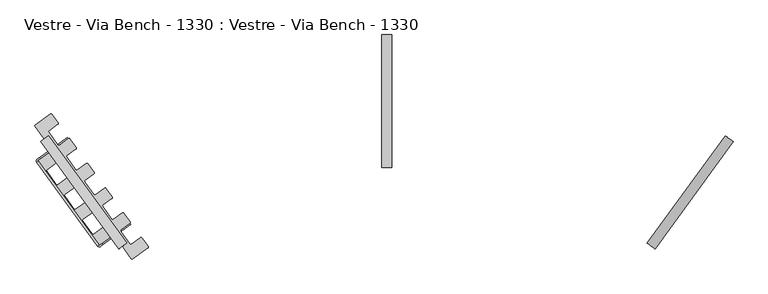
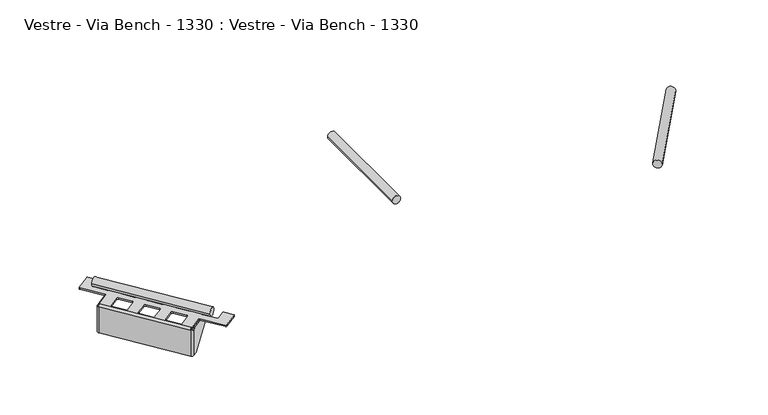
"""IFC4 building model written with IfcOpenShell, lengths in millimetres: furniture geometry, Vestre - Via Bench - 1330 : Vestre - Via Bench - 1330."""

from ifc_helpers import new_model, si_unit, point, frame, frame_2d, origin, place, context, project, spatial, polyline, circle_curve, trimmed, segment, composite_curve, outline, extrude, source, transform, mapped, element, save
from ifc_brep_helpers import plane_surface, cylinder_surface, revolved_surface, advanced_brep


def vestre_via_bench_1330_vestre_via_bench_1330_a7699da7(model_context):
    return source(origin(), model_context, "Body", "SolidModel", [
        advanced_brep(
        [(-938.9547303, -107.3037198, 370.1409501), (-1009.988975, -158.9131195, 276.7949141), (-1011.7568444, -160.1975517, 275.8503634), (-1026.8880969, -171.1910502, 275.8503634), (-1026.8880969, -171.1910502, 371.0003634), (-1019.2024354, -165.6070903, 371.0003634), (-1019.2024354, -165.6070903, 372.0003634), (-938.300736, -106.8285651, 372.0003634), (-936.0158041, -111.3488047, 370.1409501), (-935.3618097, -110.87365, 372.0003634), (-1016.2635092, -169.6521753, 372.0003634), (-1016.2635092, -169.6521753, 371.0003634), (-1023.9491706, -175.2361352, 371.0003634), (-1023.9491706, -175.2361352, 275.8503634), (-1008.8179181, -164.2426367, 275.8503634), (-1007.0500488, -162.9582045, 276.7949141), (-1028.4367191, -180.9686659, 371.0003634), (-1024.3916341, -178.0297397, 371.0003634), (-1024.3916341, -178.0297397, 275.8503634), (-846.1751456, -423.3236924, 275.8503634), (-843.3815411, -423.7661558, 275.8503634), (-828.2502886, -412.7726574, 275.8503634), (-825.3113624, -416.8177424, 275.8503634), (-840.4426149, -427.8112408, 275.8503634), (-850.2202306, -426.2626186, 275.8503634), (-1028.4367191, -180.9686659, 275.8503634), (-825.4288361, -257.0795026, 378.0003634), (-829.6192429, -256.4158073, 378.0003634), (-856.3168037, -275.8127207, 378.0003634), (-860.5072104, -275.1490254, 378.0003634), (-887.8980032, -237.4488335, 378.0003634), (-887.2343079, -233.2584268, 378.0003634), (-860.5367471, -213.8615134, 378.0003634), (-859.8730519, -209.6711067, 378.0003634), (-878.3295088, -184.2679731, 378.0003634), (-882.5199156, -183.6042778, 378.0003634), (-909.2174764, -203.0011912, 378.0003634), (-913.4078831, -202.3374959, 378.0003634), (-940.7986759, -164.637304, 378.0003634), (-940.1349806, -160.4468973, 378.0003634), (-913.4374198, -141.0499839, 378.0003634), (-912.7737246, -136.8595772, 378.0003634), (-931.2301815, -111.4564436, 378.0003634), (-935.4205883, -110.7927483, 378.0003634), (-962.1181491, -130.1896617, 378.0003634), (-966.3085558, -129.5259664, 378.0003634), (-993.6993486, -91.8257745, 378.0003634), (-993.0356534, -87.6353678, 378.0003634), (-966.3380925, -68.2384544, 378.0003634), (-965.6743973, -64.0480477, 378.0003634), (-984.0132972, -38.8067175, 378.0003634), (-988.2037039, -38.1430222, 378.0003634), (-1032.6996386, -70.4712111, 378.0003634), (-1033.3633338, -74.6616179, 378.0003634), (-984.0481512, -142.5381437, 378.0003634), (-984.7118464, -146.7285504, 378.0003634), (-1023.9491706, -175.2361352, 378.0003634), (-1022.7736001, -176.8541692, 378.0003634), (-844.5571116, -422.1481219, 378.0003634), (-843.3815411, -423.7661558, 378.0003634), (-804.1442169, -395.2585711, 378.0003634), (-799.9538102, -395.9222663, 378.0003634), (-750.6386275, -463.7987922, 378.0003634), (-746.4482207, -464.4624874, 378.0003634), (-701.9522861, -432.1342985, 378.0003634), (-701.2885908, -427.9438918, 378.0003634), (-719.6274907, -402.7025615, 378.0003634), (-723.8178974, -402.0388663, 378.0003634), (-750.5154583, -421.4357796, 378.0003634), (-754.705865, -420.7720844, 378.0003634), (-782.0966578, -383.0718925, 378.0003634), (-781.4329625, -378.8814857, 378.0003634), (-754.7354017, -359.4845724, 378.0003634), (-754.0717065, -355.2941657, 378.0003634), (-772.5281634, -329.891032, 378.0003634), (-776.7185701, -329.2273368, 378.0003634), (-803.416131, -348.6242501, 378.0003634), (-807.6065377, -347.9605549, 378.0003634), (-834.9973305, -310.260363, 378.0003634), (-834.3336352, -306.0699562, 378.0003634), (-807.6360744, -286.6730429, 378.0003634), (-806.9723792, -282.4826362, 378.0003634), (-856.9861111, -322.5279433, 378.0003634), (-852.7957043, -323.1916385, 378.0003634), (-825.4049116, -360.8918305, 378.0003634), (-826.0686068, -365.0822372, 378.0003634), (-860.8563376, -390.3570031, 378.0003634), (-865.0467443, -389.6933078, 378.0003634), (-892.4375371, -351.9931159, 378.0003634), (-891.7738418, -347.8027092, 378.0003634), (-909.8867838, -249.7164138, 378.0003634), (-905.696377, -250.380109, 378.0003634), (-878.3055843, -288.080301, 378.0003634), (-878.9692795, -292.2707077, 378.0003634), (-916.1840613, -319.3088293, 378.0003634), (-945.3382098, -279.1815864, 378.0003634), (-944.6745145, -274.9911797, 378.0003634), (-962.7874565, -176.9048843, 378.0003634), (-958.5970497, -177.5685795, 378.0003634), (-931.206257, -215.2687715, 378.0003634), (-931.8699522, -219.4591782, 378.0003634), (-966.657683, -244.7339441, 378.0003634), (-970.8480897, -244.0702488, 378.0003634), (-998.2388825, -206.3700569, 378.0003634), (-997.5751872, -202.1796502, 378.0003634), (-825.4288361, -257.0795026, 373.0003634), (-806.9723792, -282.4826362, 373.0003634), (-807.6360744, -286.6730429, 373.0003634), (-834.3336352, -306.0699562, 373.0003634), (-834.9973305, -310.260363, 373.0003634), (-807.6065377, -347.9605549, 373.0003634), (-803.416131, -348.6242501, 373.0003634), (-776.7185701, -329.2273368, 373.0003634), (-772.5281634, -329.891032, 373.0003634), (-754.0717065, -355.2941657, 373.0003634), (-754.7354017, -359.4845724, 373.0003634), (-781.4329625, -378.8814857, 373.0003634), (-782.0966578, -383.0718925, 373.0003634), (-754.705865, -420.7720844, 373.0003634), (-750.5154583, -421.4357796, 373.0003634), (-723.8178974, -402.0388663, 373.0003634), (-719.6274907, -402.7025615, 373.0003634), (-701.2885908, -427.9438918, 373.0003634), (-701.9522861, -432.1342985, 373.0003634), (-746.4482207, -464.4624874, 373.0003634), (-750.6386275, -463.7987922, 373.0003634), (-799.9538102, -395.9222663, 373.0003634), (-804.1442169, -395.2585711, 373.0003634), (-843.3815411, -423.7661558, 373.0003634), (-844.5571116, -422.1481219, 373.0003634), (-1022.7736001, -176.8541692, 373.0003634), (-1023.9491706, -175.2361352, 373.0003634), (-984.7118464, -146.7285504, 373.0003634), (-984.0481512, -142.5381437, 373.0003634), (-1033.3633338, -74.6616179, 373.0003634), (-1032.6996386, -70.4712111, 373.0003634), (-988.2037039, -38.1430222, 373.0003634), (-984.0132972, -38.8067175, 373.0003634), (-965.6743973, -64.0480477, 373.0003634), (-966.3380925, -68.2384544, 373.0003634), (-993.0356534, -87.6353678, 373.0003634), (-993.6993486, -91.8257745, 373.0003634), (-966.3085558, -129.5259664, 373.0003634), (-962.1181491, -130.1896617, 373.0003634), (-935.4205883, -110.7927483, 373.0003634), (-931.2301815, -111.4564436, 373.0003634), (-912.7737246, -136.8595772, 373.0003634), (-913.4374198, -141.0499839, 373.0003634), (-940.1349806, -160.4468973, 373.0003634), (-940.7986759, -164.637304, 373.0003634), (-913.4078831, -202.3374959, 373.0003634), (-909.2174764, -203.0011912, 373.0003634), (-882.5199156, -183.6042778, 373.0003634), (-878.3295088, -184.2679731, 373.0003634), (-859.8730519, -209.6711067, 373.0003634), (-860.5367471, -213.8615134, 373.0003634), (-887.2343079, -233.2584268, 373.0003634), (-887.8980032, -237.4488335, 373.0003634), (-860.5072104, -275.1490254, 373.0003634), (-856.3168037, -275.8127207, 373.0003634), (-829.6192429, -256.4158073, 373.0003634), (-856.9861111, -322.5279433, 373.0003634), (-891.7738418, -347.8027092, 373.0003634), (-892.4375371, -351.9931159, 373.0003634), (-865.0467443, -389.6933078, 373.0003634), (-860.8563376, -390.3570031, 373.0003634), (-826.0686068, -365.0822372, 373.0003634), (-825.4049116, -360.8918305, 373.0003634), (-852.7957043, -323.1916385, 373.0003634), (-909.8867838, -249.7164138, 373.0003634), (-944.6745145, -274.9911797, 373.0003634), (-945.3382098, -279.1815864, 373.0003634), (-916.1840613, -319.3088293, 373.0003634), (-878.9692795, -292.2707077, 373.0003634), (-878.3055843, -288.080301, 373.0003634), (-905.696377, -250.380109, 373.0003634), (-962.7874565, -176.9048843, 373.0003634), (-997.5751872, -202.1796502, 373.0003634), (-998.2388825, -206.3700569, 373.0003634), (-970.8480897, -244.0702488, 373.0003634), (-966.657683, -244.7339441, 373.0003634), (-931.8699522, -219.4591782, 373.0003634), (-931.206257, -215.2687715, 373.0003634), (-958.5970497, -177.5685795, 373.0003634), (-850.2202306, -426.2626186, 371.0003634), (-846.1751456, -423.3236924, 371.0003634), (-835.6958797, -418.1821959, 371.0003634), (-843.3815411, -423.7661558, 371.0003634), (-840.4426149, -427.8112408, 371.0003634), (-832.7569534, -422.2272809, 371.0003634), (-835.6958797, -418.1821959, 372.0003634), (-754.7941802, -359.4036707, 372.0003634), (-755.4481746, -359.8788254, 370.1409501), (-826.4824193, -411.4882251, 276.7949141), (-823.543493, -415.5333101, 276.7949141), (-752.5092483, -363.9239104, 370.1409501), (-751.855254, -363.4487557, 372.0003634), (-832.7569534, -422.2272809, 372.0003634)],
        [
            (0, 1),
            (1, 2, circle_curve(frame((-1011.7568444, -160.1975517, 278.8503634), z_axis=(-0.5877852522921923, 0.8090169943751515, 0.0), x_axis=(0.0, 0.0, -1.0)), 3.0)),
            (2, 3),
            (3, 4),
            (4, 5),
            (5, 6),
            (6, 7),
            (7, 0, circle_curve(frame((-940.7225997, -108.588152, 372.1963993), z_axis=(-0.587785252292824, 0.8090169943746925, 0.0), x_axis=(0.8072878914352271, 0.5865289854720144, -0.06534531003243231)), 3.0)),
            (8, 9, circle_curve(frame((-937.7836734, -112.633237, 372.1963993), z_axis=(0.587785252292824, -0.8090169943746925, 0.0), x_axis=(0.8072878914352271, 0.5865289854720144, -0.06534531003243231)), 3.0)),
            (9, 10),
            (10, 11),
            (11, 12),
            (12, 13),
            (13, 14),
            (14, 15, circle_curve(frame((-1008.8179181, -164.2426367, 278.8503634), z_axis=(0.5877852522921923, -0.8090169943751515, 0.0), x_axis=(0.0, 0.0, -1.0)), 3.0)),
            (15, 8),
            (7, 9),
            (8, 0),
            (6, 10),
            (5, 11),
            (4, 16, circle_curve(frame((-1022.7736001, -176.8541692, 371.0003634), z_axis=(0.0, 0.0, 1.0), x_axis=(0.8090169943748994, 0.5877852522925394, 0.0)), 7.0)),
            (16, 17),
            (17, 12, circle_curve(frame((-1022.7736001, -176.8541692, 371.0003634), z_axis=(0.0, 0.0, -1.0), x_axis=(0.8090169943748994, 0.5877852522925394, 0.0)), 2.0)),
            (2, 14),
            (13, 18, circle_curve(frame((-1022.7736001, -176.8541692, 275.8503634), z_axis=(0.0, 0.0, 1.0), x_axis=(0.8090169943748994, 0.5877852522925394, 0.0)), 2.0)),
            (18, 19),
            (19, 20, circle_curve(frame((-844.5571116, -422.1481219, 275.8503634), z_axis=(0.0, 0.0, 1.0), x_axis=(0.8090169943748994, 0.5877852522925394, 0.0)), 2.0)),
            (20, 21),
            (21, 22),
            (22, 23),
            (23, 24, circle_curve(frame((-844.5571116, -422.1481219, 275.8503634), z_axis=(0.0, 0.0, -1.0), x_axis=(0.8090169943748994, 0.5877852522925394, 0.0)), 7.0)),
            (24, 25),
            (25, 3, circle_curve(frame((-1022.7736001, -176.8541692, 275.8503634), z_axis=(0.0, 0.0, -1.0), x_axis=(0.8090169943748994, 0.5877852522925394, 0.0)), 7.0)),
            (1, 15),
            (17, 18),
            (25, 16),
            (26, 27, circle_curve(frame((-827.8558871, -258.8428583, 378.0003634), z_axis=(0.0, 0.0, 1.0), x_axis=(-0.5877852522926125, 0.8090169943748462, 0.0)), 3.0)),
            (27, 28),
            (28, 29, circle_curve(frame((-858.0801594, -273.3856697, 378.0003634), z_axis=(0.0, 0.0, -1.0), x_axis=(0.5877852522925394, -0.8090169943748994, 0.0)), 3.0)),
            (29, 30),
            (30, 31, circle_curve(frame((-885.4709522, -235.6854777, 378.0003634), z_axis=(0.0, 0.0, -1.0), x_axis=(-0.8090169943749523, -0.5877852522924664, 0.0)), 3.0)),
            (31, 32),
            (32, 33, circle_curve(frame((-862.3001029, -211.4344624, 378.0003634), z_axis=(0.0, 0.0, 1.0), x_axis=(0.8090169943747932, 0.5877852522926854, 0.0)), 3.0)),
            (33, 34),
            (34, 35, circle_curve(frame((-880.7565598, -186.0313288, 378.0003634), z_axis=(0.0, 0.0, 1.0), x_axis=(-0.5877852522924664, 0.8090169943749523, 0.0)), 3.0)),
            (35, 36),
            (36, 37, circle_curve(frame((-910.9808321, -200.5741402, 378.0003634), z_axis=(0.0, 0.0, -1.0), x_axis=(0.5877852522925029, -0.8090169943749259, 0.0)), 3.0)),
            (37, 38),
            (38, 39, circle_curve(frame((-938.3716249, -162.8739482, 378.0003634), z_axis=(0.0, 0.0, -1.0), x_axis=(-0.8090169943747932, -0.5877852522926854, 0.0)), 3.0)),
            (39, 40),
            (40, 41, circle_curve(frame((-915.2007756, -138.6229329, 378.0003634), z_axis=(0.0, 0.0, 1.0), x_axis=(0.8090169943747932, 0.5877852522926854, 0.0)), 3.0)),
            (41, 42),
            (42, 43, circle_curve(frame((-933.6572325, -113.2197993, 378.0003634), z_axis=(0.0, 0.0, 1.0), x_axis=(-0.5877852522924664, 0.8090169943749523, 0.0)), 3.0)),
            (43, 44),
            (44, 45, circle_curve(frame((-963.8815048, -127.7626107, 378.0003634), z_axis=(0.0, 0.0, -1.0), x_axis=(0.5877852522925029, -0.8090169943749259, 0.0)), 3.0)),
            (45, 46),
            (46, 47, circle_curve(frame((-991.2722976, -90.0624187, 378.0003634), z_axis=(0.0, 0.0, -1.0), x_axis=(-0.8090169943748462, -0.5877852522926125, 0.0)), 3.0)),
            (47, 48),
            (48, 49, circle_curve(frame((-968.1014483, -65.8114035, 378.0003634), z_axis=(0.0, 0.0, 1.0), x_axis=(0.8090169943747402, 0.5877852522927585, 0.0)), 3.0)),
            (49, 50),
            (50, 51, circle_curve(frame((-986.4403482, -40.5700732, 378.0003634), z_axis=(0.0, 0.0, 1.0), x_axis=(-0.5877852522926489, 0.8090169943748198, 0.0)), 3.0)),
            (51, 52),
            (52, 53, circle_curve(frame((-1030.9362829, -72.8982621, 378.0003634), z_axis=(0.0, 0.0, 1.0), x_axis=(-0.5877852522923204, 0.8090169943750585, 0.0)), 3.0)),
            (53, 54),
            (54, 55, circle_curve(frame((-986.4752022, -144.3014994, 378.0003634), z_axis=(0.0, 0.0, -1.0), x_axis=(0.8090169943748462, 0.5877852522926125, 0.0)), 3.0)),
            (55, 56),
            (56, 57),
            (57, 58),
            (58, 59),
            (59, 60),
            (60, 61, circle_curve(frame((-802.3808611, -397.6856221, 378.0003634), z_axis=(0.0, 0.0, -1.0), x_axis=(-0.5877852522925394, 0.8090169943748994, 0.0)), 3.0)),
            (61, 62),
            (62, 63, circle_curve(frame((-748.2115765, -462.0354364, 378.0003634), z_axis=(0.0, 0.0, 1.0), x_axis=(0.5877852522925394, -0.8090169943748994, 0.0)), 3.0)),
            (63, 64),
            (64, 65, circle_curve(frame((-703.7156418, -429.7072475, 378.0003634), z_axis=(0.0, 0.0, 1.0), x_axis=(0.8090169943748994, 0.5877852522925394, 0.0)), 3.0)),
            (65, 66),
            (66, 67, circle_curve(frame((-722.0545417, -404.4659173, 378.0003634), z_axis=(0.0, 0.0, 1.0), x_axis=(-0.5877852522924664, 0.8090169943749523, 0.0)), 3.0)),
            (67, 68),
            (68, 69, circle_curve(frame((-752.278814, -419.0087287, 378.0003634), z_axis=(0.0, 0.0, -1.0), x_axis=(0.5877852522925029, -0.8090169943749259, 0.0)), 3.0)),
            (69, 70),
            (70, 71, circle_curve(frame((-779.6696068, -381.3085367, 378.0003634), z_axis=(0.0, 0.0, -1.0), x_axis=(-0.8090169943748462, -0.5877852522926125, 0.0)), 3.0)),
            (71, 72),
            (72, 73, circle_curve(frame((-756.4987575, -357.0575214, 378.0003634), z_axis=(0.0, 0.0, 1.0), x_axis=(0.8090169943749523, 0.5877852522924664, 0.0)), 3.0)),
            (73, 74),
            (74, 75, circle_curve(frame((-774.9552144, -331.6543878, 378.0003634), z_axis=(0.0, 0.0, 1.0), x_axis=(-0.5877852522924664, 0.8090169943749523, 0.0)), 3.0)),
            (75, 76),
            (76, 77, circle_curve(frame((-805.1794867, -346.1971992, 378.0003634), z_axis=(0.0, 0.0, -1.0), x_axis=(0.5877852522926489, -0.8090169943748198, 0.0)), 3.0)),
            (77, 78),
            (78, 79, circle_curve(frame((-832.5702795, -308.4970072, 378.0003634), z_axis=(0.0, 0.0, -1.0), x_axis=(-0.8090169943751115, -0.5877852522922474, 0.0)), 3.0)),
            (79, 80),
            (80, 81, circle_curve(frame((-809.3994302, -284.2459919, 378.0003634), z_axis=(0.0, 0.0, 1.0), x_axis=(0.8090169943748462, 0.5877852522926125, 0.0)), 3.0)),
            (81, 26),
            (82, 83, circle_curve(frame((-855.2227553, -324.9549943, 378.0003634), z_axis=(0.0, 0.0, -1.0), x_axis=(-0.5877852522924664, 0.8090169943749523, 0.0)), 3.0)),
            (83, 84),
            (84, 85, circle_curve(frame((-827.8319626, -362.6551862, 378.0003634), z_axis=(0.0, 0.0, -1.0), x_axis=(0.8090169943748462, 0.5877852522926125, 0.0)), 3.0)),
            (85, 86),
            (86, 87, circle_curve(frame((-862.6196933, -387.9299521, 378.0003634), z_axis=(0.0, 0.0, -1.0), x_axis=(0.5877852522925759, -0.8090169943748727, 0.0)), 3.0)),
            (87, 88),
            (88, 89, circle_curve(frame((-890.0104861, -350.2297601, 378.0003634), z_axis=(0.0, 0.0, -1.0), x_axis=(-0.8090169943748994, -0.5877852522925394, 0.0)), 3.0)),
            (89, 82),
            (90, 91, circle_curve(frame((-908.123428, -252.1434648, 378.0003634), z_axis=(0.0, 0.0, -1.0), x_axis=(-0.5877852522924664, 0.8090169943749523, 0.0)), 3.0)),
            (91, 92),
            (92, 93, circle_curve(frame((-880.7326353, -289.8436567, 378.0003634), z_axis=(0.0, 0.0, -1.0), x_axis=(0.8090169943748462, 0.5877852522926125, 0.0)), 3.0)),
            (93, 94),
            (94, 95),
            (95, 96, circle_curve(frame((-942.9111588, -277.4182306, 378.0003634), z_axis=(0.0, 0.0, -1.0), x_axis=(-0.8090169943749523, -0.5877852522924664, 0.0)), 3.0)),
            (96, 90),
            (97, 98, circle_curve(frame((-961.0241007, -179.3319353, 378.0003634), z_axis=(0.0, 0.0, -1.0), x_axis=(-0.5877852522924664, 0.8090169943749523, 0.0)), 3.0)),
            (98, 99),
            (99, 100, circle_curve(frame((-933.633308, -217.0321272, 378.0003634), z_axis=(0.0, 0.0, -1.0), x_axis=(0.8090169943748462, 0.5877852522926125, 0.0)), 3.0)),
            (100, 101),
            (101, 102, circle_curve(frame((-968.4210387, -242.3068931, 378.0003634), z_axis=(0.0, 0.0, -1.0), x_axis=(0.5877852522926489, -0.8090169943748198, 0.0)), 3.0)),
            (102, 103),
            (103, 104, circle_curve(frame((-995.8118315, -204.6067012, 378.0003634), z_axis=(0.0, 0.0, -1.0), x_axis=(-0.8090169943748462, -0.5877852522926125, 0.0)), 3.0)),
            (104, 97),
            (105, 106),
            (106, 107, circle_curve(frame((-809.3994302, -284.2459919, 373.0003634), z_axis=(0.0, 0.0, -1.0), x_axis=(0.8090169943748462, 0.5877852522926125, 0.0)), 3.0)),
            (107, 108),
            (108, 109, circle_curve(frame((-832.5702795, -308.4970072, 373.0003634), z_axis=(0.0, 0.0, 1.0), x_axis=(-0.8090169943751115, -0.5877852522922474, 0.0)), 3.0)),
            (109, 110),
            (110, 111, circle_curve(frame((-805.1794867, -346.1971992, 373.0003634), z_axis=(0.0, 0.0, 1.0), x_axis=(0.5877852522926489, -0.8090169943748198, 0.0)), 3.0)),
            (111, 112),
            (112, 113, circle_curve(frame((-774.9552144, -331.6543878, 373.0003634), z_axis=(0.0, 0.0, -1.0), x_axis=(-0.5877852522924664, 0.8090169943749523, 0.0)), 3.0)),
            (113, 114),
            (114, 115, circle_curve(frame((-756.4987575, -357.0575214, 373.0003634), z_axis=(0.0, 0.0, -1.0), x_axis=(0.8090169943749523, 0.5877852522924664, 0.0)), 3.0)),
            (115, 116),
            (116, 117, circle_curve(frame((-779.6696068, -381.3085367, 373.0003634), z_axis=(0.0, 0.0, 1.0), x_axis=(-0.8090169943748462, -0.5877852522926125, 0.0)), 3.0)),
            (117, 118),
            (118, 119, circle_curve(frame((-752.278814, -419.0087287, 373.0003634), z_axis=(0.0, 0.0, 1.0), x_axis=(0.5877852522925029, -0.8090169943749259, 0.0)), 3.0)),
            (119, 120),
            (120, 121, circle_curve(frame((-722.0545417, -404.4659173, 373.0003634), z_axis=(0.0, 0.0, -1.0), x_axis=(-0.5877852522924664, 0.8090169943749523, 0.0)), 3.0)),
            (121, 122),
            (122, 123, circle_curve(frame((-703.7156418, -429.7072475, 373.0003634), z_axis=(0.0, 0.0, -1.0), x_axis=(0.8090169943748994, 0.5877852522925394, 0.0)), 3.0)),
            (123, 124),
            (124, 125, circle_curve(frame((-748.2115765, -462.0354364, 373.0003634), z_axis=(0.0, 0.0, -1.0), x_axis=(0.5877852522925394, -0.8090169943748994, 0.0)), 3.0)),
            (125, 126),
            (126, 127, circle_curve(frame((-802.3808611, -397.6856221, 373.0003634), z_axis=(0.0, 0.0, 1.0), x_axis=(-0.5877852522925394, 0.8090169943748994, 0.0)), 3.0)),
            (127, 128),
            (128, 129),
            (129, 130),
            (130, 131),
            (131, 132),
            (132, 133, circle_curve(frame((-986.4752022, -144.3014994, 373.0003634), z_axis=(0.0, 0.0, 1.0), x_axis=(0.8090169943748462, 0.5877852522926125, 0.0)), 3.0)),
            (133, 134),
            (134, 135, circle_curve(frame((-1030.9362829, -72.8982621, 373.0003634), z_axis=(0.0, 0.0, -1.0), x_axis=(-0.5877852522923204, 0.8090169943750585, 0.0)), 3.0)),
            (135, 136),
            (136, 137, circle_curve(frame((-986.4403482, -40.5700732, 373.0003634), z_axis=(0.0, 0.0, -1.0), x_axis=(-0.5877852522926489, 0.8090169943748198, 0.0)), 3.0)),
            (137, 138),
            (138, 139, circle_curve(frame((-968.1014483, -65.8114035, 373.0003634), z_axis=(0.0, 0.0, -1.0), x_axis=(0.8090169943747402, 0.5877852522927585, 0.0)), 3.0)),
            (139, 140),
            (140, 141, circle_curve(frame((-991.2722976, -90.0624187, 373.0003634), z_axis=(0.0, 0.0, 1.0), x_axis=(-0.8090169943748462, -0.5877852522926125, 0.0)), 3.0)),
            (141, 142),
            (142, 143, circle_curve(frame((-963.8815048, -127.7626107, 373.0003634), z_axis=(0.0, 0.0, 1.0), x_axis=(0.5877852522925029, -0.8090169943749259, 0.0)), 3.0)),
            (143, 144),
            (144, 145, circle_curve(frame((-933.6572325, -113.2197993, 373.0003634), z_axis=(0.0, 0.0, -1.0), x_axis=(-0.5877852522924664, 0.8090169943749523, 0.0)), 3.0)),
            (145, 146),
            (146, 147, circle_curve(frame((-915.2007756, -138.6229329, 373.0003634), z_axis=(0.0, 0.0, -1.0), x_axis=(0.8090169943747932, 0.5877852522926854, 0.0)), 3.0)),
            (147, 148),
            (148, 149, circle_curve(frame((-938.3716249, -162.8739482, 373.0003634), z_axis=(0.0, 0.0, 1.0), x_axis=(-0.8090169943747932, -0.5877852522926854, 0.0)), 3.0)),
            (149, 150),
            (150, 151, circle_curve(frame((-910.9808321, -200.5741402, 373.0003634), z_axis=(0.0, 0.0, 1.0), x_axis=(0.5877852522925029, -0.8090169943749259, 0.0)), 3.0)),
            (151, 152),
            (152, 153, circle_curve(frame((-880.7565598, -186.0313288, 373.0003634), z_axis=(0.0, 0.0, -1.0), x_axis=(-0.5877852522924664, 0.8090169943749523, 0.0)), 3.0)),
            (153, 154),
            (154, 155, circle_curve(frame((-862.3001029, -211.4344624, 373.0003634), z_axis=(0.0, 0.0, -1.0), x_axis=(0.8090169943747932, 0.5877852522926854, 0.0)), 3.0)),
            (155, 156),
            (156, 157, circle_curve(frame((-885.4709522, -235.6854777, 373.0003634), z_axis=(0.0, 0.0, 1.0), x_axis=(-0.8090169943749523, -0.5877852522924664, 0.0)), 3.0)),
            (157, 158),
            (158, 159, circle_curve(frame((-858.0801594, -273.3856697, 373.0003634), z_axis=(0.0, 0.0, 1.0), x_axis=(0.5877852522925394, -0.8090169943748994, 0.0)), 3.0)),
            (159, 160),
            (160, 105, circle_curve(frame((-827.8558871, -258.8428583, 373.0003634), z_axis=(0.0, 0.0, -1.0), x_axis=(-0.5877852522926125, 0.8090169943748462, 0.0)), 3.0)),
            (161, 162),
            (162, 163, circle_curve(frame((-890.0104861, -350.2297601, 373.0003634), z_axis=(0.0, 0.0, 1.0), x_axis=(-0.8090169943748994, -0.5877852522925394, 0.0)), 3.0)),
            (163, 164),
            (164, 165, circle_curve(frame((-862.6196933, -387.9299521, 373.0003634), z_axis=(0.0, 0.0, 1.0), x_axis=(0.5877852522925759, -0.8090169943748727, 0.0)), 3.0)),
            (165, 166),
            (166, 167, circle_curve(frame((-827.8319626, -362.6551862, 373.0003634), z_axis=(0.0, 0.0, 1.0), x_axis=(0.8090169943748462, 0.5877852522926125, 0.0)), 3.0)),
            (167, 168),
            (168, 161, circle_curve(frame((-855.2227553, -324.9549943, 373.0003634), z_axis=(0.0, 0.0, 1.0), x_axis=(-0.5877852522924664, 0.8090169943749523, 0.0)), 3.0)),
            (169, 170),
            (170, 171, circle_curve(frame((-942.9111588, -277.4182306, 373.0003634), z_axis=(0.0, 0.0, 1.0), x_axis=(-0.8090169943749523, -0.5877852522924664, 0.0)), 3.0)),
            (171, 172),
            (172, 173),
            (173, 174, circle_curve(frame((-880.7326353, -289.8436567, 373.0003634), z_axis=(0.0, 0.0, 1.0), x_axis=(0.8090169943748462, 0.5877852522926125, 0.0)), 3.0)),
            (174, 175),
            (175, 169, circle_curve(frame((-908.123428, -252.1434648, 373.0003634), z_axis=(0.0, 0.0, 1.0), x_axis=(-0.5877852522924664, 0.8090169943749523, 0.0)), 3.0)),
            (176, 177),
            (177, 178, circle_curve(frame((-995.8118315, -204.6067012, 373.0003634), z_axis=(0.0, 0.0, 1.0), x_axis=(-0.8090169943748462, -0.5877852522926125, 0.0)), 3.0)),
            (178, 179),
            (179, 180, circle_curve(frame((-968.4210387, -242.3068931, 373.0003634), z_axis=(0.0, 0.0, 1.0), x_axis=(0.5877852522926489, -0.8090169943748198, 0.0)), 3.0)),
            (180, 181),
            (181, 182, circle_curve(frame((-933.633308, -217.0321272, 373.0003634), z_axis=(0.0, 0.0, 1.0), x_axis=(0.8090169943748462, 0.5877852522926125, 0.0)), 3.0)),
            (182, 183),
            (183, 176, circle_curve(frame((-961.0241007, -179.3319353, 373.0003634), z_axis=(0.0, 0.0, 1.0), x_axis=(-0.5877852522924664, 0.8090169943749523, 0.0)), 3.0)),
            (26, 105),
            (160, 27),
            (159, 28),
            (158, 29),
            (157, 30),
            (156, 31),
            (155, 32),
            (154, 33),
            (153, 34),
            (152, 35),
            (151, 36),
            (150, 37),
            (149, 38),
            (148, 39),
            (147, 40),
            (146, 41),
            (145, 42),
            (144, 43),
            (143, 44),
            (142, 45),
            (141, 46),
            (140, 47),
            (139, 48),
            (138, 49),
            (137, 50),
            (136, 51),
            (135, 52),
            (134, 53),
            (133, 54),
            (132, 55),
            (131, 56),
            (130, 57),
            (58, 129),
            (128, 59),
            (127, 60),
            (126, 61),
            (125, 62),
            (124, 63),
            (123, 64),
            (122, 65),
            (121, 66),
            (120, 67),
            (119, 68),
            (118, 69),
            (117, 70),
            (116, 71),
            (115, 72),
            (114, 73),
            (113, 74),
            (112, 75),
            (111, 76),
            (110, 77),
            (109, 78),
            (108, 79),
            (107, 80),
            (106, 81),
            (82, 161),
            (168, 83),
            (167, 84),
            (166, 85),
            (165, 86),
            (164, 87),
            (163, 88),
            (162, 89),
            (90, 169),
            (175, 91),
            (174, 92),
            (173, 93),
            (172, 94),
            (171, 95),
            (170, 96),
            (97, 176),
            (183, 98),
            (182, 99),
            (181, 100),
            (180, 101),
            (179, 102),
            (178, 103),
            (177, 104),
            (58, 184, circle_curve(frame((-844.5571116, -422.1481219, 371.0003634), z_axis=(0.5877852522925394, -0.8090169943748994, 0.0), x_axis=(0.8090169943748994, 0.5877852522925394, 0.0)), 7.0)),
            (184, 185),
            (185, 129, circle_curve(frame((-844.5571116, -422.1481219, 371.0003634), z_axis=(-0.5877852522925394, 0.8090169943748994, 0.0), x_axis=(0.8090169943748994, 0.5877852522925394, 0.0)), 2.0)),
            (130, 17, circle_curve(frame((-1022.7736001, -176.8541692, 371.0003634), z_axis=(0.5877852522925394, -0.8090169943748994, 0.0), x_axis=(0.8090169943748994, 0.5877852522925394, 0.0)), 2.0)),
            (16, 57, circle_curve(frame((-1022.7736001, -176.8541692, 371.0003634), z_axis=(-0.5877852522925394, 0.8090169943748994, 0.0), x_axis=(0.8090169943748994, 0.5877852522925394, 0.0)), 7.0)),
            (16, 184),
            (185, 17),
            (24, 184),
            (185, 19),
            (186, 187),
            (187, 185, circle_curve(frame((-844.5571116, -422.1481219, 371.0003634), z_axis=(0.0, 0.0, -1.0), x_axis=(0.8090169943748994, 0.5877852522925394, 0.0)), 2.0)),
            (184, 188, circle_curve(frame((-844.5571116, -422.1481219, 371.0003634), z_axis=(0.0, 0.0, 1.0), x_axis=(0.8090169943748994, 0.5877852522925394, 0.0)), 7.0)),
            (188, 189),
            (189, 186),
            (186, 190),
            (190, 191),
            (191, 192, circle_curve(frame((-757.2160439, -361.1632577, 372.1963993), z_axis=(-0.587785252292255, 0.8090169943751061, 0.0), x_axis=(0.8072878914356514, 0.5865289854714304, -0.06534531003243231)), 3.0)),
            (192, 193),
            (193, 21, circle_curve(frame((-828.2502886, -412.7726574, 278.8503634), z_axis=(-0.5877852522928866, 0.8090169943746471, 0.0), x_axis=(0.0, 0.0, -1.0)), 3.0)),
            (20, 187),
            (23, 188),
            (22, 194, circle_curve(frame((-825.3113624, -416.8177424, 278.8503634), z_axis=(0.5877852522928866, -0.8090169943746471, 0.0), x_axis=(0.0, 0.0, -1.0)), 3.0)),
            (194, 195),
            (195, 196, circle_curve(frame((-754.2771177, -365.2083426, 372.1963993), z_axis=(0.587785252292255, -0.8090169943751061, 0.0), x_axis=(0.8072878914356514, 0.5865289854714304, -0.06534531003243231)), 3.0)),
            (196, 197),
            (197, 189),
            (195, 192),
            (191, 196),
            (190, 197),
            (193, 194),
        ],
        [
            plane_surface(frame((-1009.988975, -158.9131195, 276.7949141), z_axis=(-0.5877852522925394, 0.8090169943748995, 0.0), x_axis=(-0.5542977985388887, -0.40272092381831975, -0.7284022295777662))),
            plane_surface(frame((-1007.0500488, -162.9582045, 276.7949141), z_axis=(0.5877852522925394, -0.8090169943748995, 0.0), x_axis=(0.5542977985388887, 0.40272092381831975, 0.7284022295777662))),
            cylinder_surface(frame((-937.7836734, -112.633237, 372.1963993), z_axis=(-0.587785252292824, 0.8090169943746925, 0.0), x_axis=(0.8072878914352271, 0.5865289854720144, -0.06534531003243231)), 3.0),
            plane_surface(frame((-1019.2024354, -165.6070903, 372.0003634), z_axis=(0.0, 0.0, 1.0), x_axis=(0.5877852522925411, -0.809016994374898, 0.0))),
            plane_surface(frame((-1019.2024354, -165.6070903, 371.0003634), z_axis=(-0.809016994374898, -0.5877852522925411, 0.0), x_axis=(0.5877852522925411, -0.809016994374898, 0.0))),
            plane_surface(frame((-1026.8880969, -171.1910502, 371.0003634), z_axis=(0.0, 0.0, 1.0), x_axis=(0.5877852522925411, -0.809016994374898, 0.0))),
            plane_surface(frame((-1011.7568444, -160.1975517, 275.8503634), z_axis=(0.0, 0.0, -1.0), x_axis=(0.5877852522925411, -0.809016994374898, 0.0))),
            cylinder_surface(frame((-1008.8179181, -164.2426367, 278.8503634), z_axis=(-0.5877852522921923, 0.8090169943751515, 0.0), x_axis=(0.0, 0.0, -1.0)), 3.0),
            plane_surface(frame((-938.9547303, -107.3037198, 370.1409501), z_axis=(0.5892897824689789, 0.42814408828281675, -0.6851497587725908), x_axis=(0.5877852522925411, -0.809016994374898, 0.0))),
            revolved_surface(polyline([(-1021.1555661112502, -175.67859869541493, 275.8503634), (-1021.1555661112502, -175.67859869541493, 371.0003634000001)]), (-1022.7736001, -176.8541692, 275.8503634), (0.0, 0.0, -1.0000000000000002)),
            cylinder_surface(frame((-1022.7736001, -176.8541692, 275.8503634), z_axis=(0.0, 0.0, 1.0000000000000002), x_axis=(0.8090169943748994, 0.5877852522925394, 0.0)), 7.0),
            plane_surface(frame((-829.6192429, -256.4158073, 378.0003634), z_axis=(0.0, 0.0, 1.0), x_axis=(-0.8090169943748462, -0.5877852522926125, 0.0))),
            plane_surface(frame((-829.6192429, -256.4158073, 373.0003634), z_axis=(0.0, 0.0, -1.0), x_axis=(0.8090169943748462, 0.5877852522926125, 0.0))),
            cylinder_surface(frame((-827.8558871, -258.8428583, 373.0003634), z_axis=(0.0, 0.0, 1.0), x_axis=(-0.5877852522926125, 0.8090169943748462, 0.0)), 3.0),
            plane_surface(frame((-829.6192429, -256.4158073, 378.0003634), z_axis=(-0.5877852522925409, 0.8090169943748984, 0.0), x_axis=(0.0, 0.0, -1.0))),
            revolved_surface(polyline([(-856.3168036431223, -275.81272068312467, 373.0003634), (-856.3168036431223, -275.81272068312467, 378.0003634)]), (-858.0801594, -273.3856697, 373.0003634), (0.0, 0.0, -1.0000000000000002)),
            plane_surface(frame((-860.5072104, -275.1490254, 378.0003634), z_axis=(0.8090169943748986, 0.5877852522925403, 0.0), x_axis=(0.0, 0.0, -1.0))),
            revolved_surface(polyline([(-887.898003183125, -237.4488334568774, 373.0003634), (-887.898003183125, -237.4488334568774, 378.0003634)]), (-885.4709522, -235.6854777, 373.0003634), (0.0, 0.0, -1.0)),
            plane_surface(frame((-887.2343079, -233.2584268, 378.0003634), z_axis=(0.5877852522925731, -0.8090169943748748, 0.0), x_axis=(0.0, 0.0, -1.0))),
            cylinder_surface(frame((-862.3001029, -211.4344624, 373.0003634), z_axis=(0.0, 0.0, 1.0), x_axis=(0.8090169943747932, 0.5877852522926854, 0.0)), 3.0),
            plane_surface(frame((-859.8730519, -209.6711067, 378.0003634), z_axis=(0.8090169943748973, 0.5877852522925423, 0.0), x_axis=(0.0, 0.0, -1.0))),
            cylinder_surface(frame((-880.7565598, -186.0313288, 373.0003634), z_axis=(0.0, 0.0, 1.0), x_axis=(-0.5877852522924664, 0.8090169943749523, 0.0)), 3.0),
            plane_surface(frame((-882.5199156, -183.6042778, 378.0003634), z_axis=(-0.5877852522925399, 0.8090169943748989, 0.0), x_axis=(0.0, 0.0, -1.0))),
            revolved_surface(polyline([(-909.2174763431225, -203.00119118312477, 373.0003634), (-909.2174763431225, -203.00119118312477, 378.0003634)]), (-910.9808321, -200.5741402, 373.0003634), (0.0, 0.0, -1.0000000000000002)),
            plane_surface(frame((-913.4078831, -202.3374959, 378.0003634), z_axis=(0.809016994374906, 0.5877852522925302, 0.0), x_axis=(0.0, 0.0, -1.0))),
            revolved_surface(polyline([(-940.7986758831244, -164.63730395687807, 373.0003634), (-940.7986758831244, -164.63730395687807, 378.0003634)]), (-938.3716249, -162.8739482, 373.0003634), (0.0, 0.0, -1.0)),
            plane_surface(frame((-940.1349806, -160.4468973, 378.0003634), z_axis=(0.5877852522925207, -0.809016994374913, 0.0), x_axis=(0.0, 0.0, -1.0))),
            cylinder_surface(frame((-915.2007756, -138.6229329, 373.0003634), z_axis=(0.0, 0.0, 1.0), x_axis=(0.8090169943747932, 0.5877852522926854, 0.0)), 3.0),
            plane_surface(frame((-912.7737246, -136.8595772, 378.0003634), z_axis=(0.8090169943749, 0.5877852522925384, 0.0), x_axis=(0.0, 0.0, -1.0))),
            cylinder_surface(frame((-933.6572325, -113.2197993, 373.0003634), z_axis=(0.0, 0.0, 1.0), x_axis=(-0.5877852522924664, 0.8090169943749523, 0.0)), 3.0),
            plane_surface(frame((-935.4205883, -110.7927483, 378.0003634), z_axis=(-0.5877852522925385, 0.8090169943748999, 0.0), x_axis=(0.0, 0.0, -1.0))),
            revolved_surface(polyline([(-962.1181490431225, -130.18966168312477, 373.0003634), (-962.1181490431225, -130.18966168312477, 378.0003634)]), (-963.8815048, -127.7626107, 373.0003634), (0.0, 0.0, -1.0000000000000002)),
            plane_surface(frame((-966.3085558, -129.5259664, 378.0003634), z_axis=(0.8090169943749016, 0.5877852522925362, 0.0), x_axis=(0.0, 0.0, -1.0))),
            revolved_surface(polyline([(-993.6993485831246, -91.82577445687784, 373.0003634), (-993.6993485831246, -91.82577445687784, 378.0003634)]), (-991.2722976, -90.0624187, 373.0003634), (0.0, 0.0, -1.0)),
            plane_surface(frame((-993.0356534, -87.6353678, 378.0003634), z_axis=(0.5877852522925322, -0.8090169943749045, 0.0), x_axis=(0.0, 0.0, -1.0))),
            cylinder_surface(frame((-968.1014483, -65.8114035, 373.0003634), z_axis=(0.0, 0.0, 1.0), x_axis=(0.8090169943747402, 0.5877852522927585, 0.0)), 3.0),
            plane_surface(frame((-965.6743973, -64.0480477, 378.0003634), z_axis=(0.8090169943749003, 0.5877852522925381, 0.0), x_axis=(0.0, 0.0, -1.0))),
            cylinder_surface(frame((-986.4403482, -40.5700732, 373.0003634), z_axis=(0.0, 0.0, 1.0), x_axis=(-0.5877852522926489, 0.8090169943748198, 0.0)), 3.0),
            plane_surface(frame((-988.2037039, -38.1430222, 378.0003634), z_axis=(-0.5877852522925421, 0.8090169943748974, 0.0), x_axis=(0.0, 0.0, -1.0))),
            cylinder_surface(frame((-1030.9362829, -72.8982621, 373.0003634), z_axis=(0.0, 0.0, 1.0), x_axis=(-0.5877852522923204, 0.8090169943750585, 0.0)), 3.0),
            plane_surface(frame((-1033.3633338, -74.6616179, 378.0003634), z_axis=(-0.8090169943748989, -0.5877852522925401, 0.0), x_axis=(0.0, 0.0, -1.0))),
            revolved_surface(polyline([(-984.0481512168755, -142.53814364312217, 373.0003634), (-984.0481512168755, -142.53814364312217, 378.0003634)]), (-986.4752022, -144.3014994, 373.0003634), (0.0, 0.0, -1.0)),
            plane_surface(frame((-984.7118464, -146.7285504, 378.0003634), z_axis=(-0.5877852522925355, 0.8090169943749022, 0.0), x_axis=(0.0, 0.0, -1.0))),
            plane_surface(frame((-1023.9491706, -175.2361352, 378.0003634), z_axis=(-0.8090169943749005, -0.5877852522925379, 0.0), x_axis=(0.0, 0.0, -1.0))),
            plane_surface(frame((-844.5571116, -422.1481219, 378.0003634), z_axis=(-0.8090169943714435, -0.5877852522972961, 0.0), x_axis=(0.0, 0.0, -1.0))),
            plane_surface(frame((-843.3815411, -423.7661558, 378.0003634), z_axis=(0.5877852522925395, -0.8090169943748993, 0.0), x_axis=(0.0, 0.0, -1.0))),
            revolved_surface(polyline([(-804.1442168568776, -395.2585711168753, 373.0003634), (-804.1442168568776, -395.2585711168753, 378.0003634)]), (-802.3808611, -397.6856221, 373.0003634), (0.0, 0.0, -1.0000000000000002)),
            plane_surface(frame((-799.9538102, -395.9222663, 378.0003634), z_axis=(-0.809016994374901, -0.587785252292537, 0.0), x_axis=(0.0, 0.0, -1.0))),
            cylinder_surface(frame((-748.2115765, -462.0354364, 373.0003634), z_axis=(0.0, 0.0, 1.0000000000000002), x_axis=(0.5877852522925394, -0.8090169943748994, 0.0)), 3.0),
            plane_surface(frame((-746.4482207, -464.4624874, 378.0003634), z_axis=(0.5877852522925407, -0.8090169943748984, 0.0), x_axis=(0.0, 0.0, -1.0))),
            cylinder_surface(frame((-703.7156418, -429.7072475, 373.0003634), z_axis=(0.0, 0.0, 1.0000000000000002), x_axis=(0.8090169943748994, 0.5877852522925394, 0.0)), 3.0),
            plane_surface(frame((-701.2885908, -427.9438918, 378.0003634), z_axis=(0.8090169943748998, 0.5877852522925386, 0.0), x_axis=(0.0, 0.0, -1.0))),
            cylinder_surface(frame((-722.0545417, -404.4659173, 373.0003634), z_axis=(0.0, 0.0, 1.0), x_axis=(-0.5877852522924664, 0.8090169943749523, 0.0)), 3.0),
            plane_surface(frame((-723.8178974, -402.0388663, 378.0003634), z_axis=(-0.5877852522925385, 0.8090169943748999, 0.0), x_axis=(0.0, 0.0, -1.0))),
            revolved_surface(polyline([(-750.5154582431225, -421.4357796831248, 373.0003634), (-750.5154582431225, -421.4357796831248, 378.0003634)]), (-752.278814, -419.0087287, 373.0003634), (0.0, 0.0, -1.0000000000000002)),
            plane_surface(frame((-754.705865, -420.7720844, 378.0003634), z_axis=(0.8090169943749078, 0.5877852522925278, 0.0), x_axis=(0.0, 0.0, -1.0))),
            revolved_surface(polyline([(-782.0966577831246, -383.07189245687783, 373.0003634), (-782.0966577831246, -383.07189245687783, 378.0003634)]), (-779.6696068, -381.3085367, 373.0003634), (0.0, 0.0, -1.0)),
            plane_surface(frame((-781.4329625, -378.8814857, 378.0003634), z_axis=(0.5877852522925385, -0.8090169943748999, 0.0), x_axis=(0.0, 0.0, -1.0))),
            cylinder_surface(frame((-756.4987575, -357.0575214, 373.0003634), z_axis=(0.0, 0.0, 1.0), x_axis=(0.8090169943749523, 0.5877852522924664, 0.0)), 3.0),
            plane_surface(frame((-754.0717065, -355.2941657, 378.0003634), z_axis=(0.8090169943749007, 0.5877852522925374, 0.0), x_axis=(0.0, 0.0, -1.0))),
            cylinder_surface(frame((-774.9552144, -331.6543878, 373.0003634), z_axis=(0.0, 0.0, 1.0), x_axis=(-0.5877852522924664, 0.8090169943749523, 0.0)), 3.0),
            plane_surface(frame((-776.7185701, -329.2273368, 378.0003634), z_axis=(-0.5877852522925394, 0.8090169943748994, 0.0), x_axis=(0.0, 0.0, -1.0))),
            revolved_surface(polyline([(-803.4161309431221, -348.62425018312445, 373.0003634), (-803.4161309431221, -348.62425018312445, 378.0003634)]), (-805.1794867, -346.1971992, 373.0003634), (0.0, 0.0, -1.0)),
            plane_surface(frame((-807.6065377, -347.9605549, 378.0003634), z_axis=(0.8090169943748968, 0.5877852522925427, 0.0), x_axis=(0.0, 0.0, -1.0))),
            revolved_surface(polyline([(-834.9973304831253, -310.26036295687675, 373.0003634), (-834.9973304831253, -310.26036295687675, 378.0003634)]), (-832.5702795, -308.4970072, 373.0003634), (0.0, 0.0, -1.0000000000000002)),
            plane_surface(frame((-834.3336352, -306.0699562, 378.0003634), z_axis=(0.5877852522925657, -0.8090169943748803, 0.0), x_axis=(0.0, 0.0, -1.0))),
            cylinder_surface(frame((-809.3994302, -284.2459919, 373.0003634), z_axis=(0.0, 0.0, 1.0), x_axis=(0.8090169943748462, 0.5877852522926125, 0.0)), 3.0),
            plane_surface(frame((-806.9723792, -282.4826362, 378.0003634), z_axis=(0.8090169943749004, 0.587785252292538, 0.0), x_axis=(0.0, 0.0, -1.0))),
            revolved_surface(polyline([(-856.9861110568775, -322.52794331687517, 373.0003634), (-856.9861110568775, -322.52794331687517, 378.0003634)]), (-855.2227553, -324.9549943, 0.0), (0.0, 0.0, -1.0)),
            plane_surface(frame((-852.7957043, -323.1916385, 378.0003634), z_axis=(-0.809016994374894, -0.5877852522925465, 0.0), x_axis=(0.0, 0.0, -1.0))),
            revolved_surface(polyline([(-825.4049116168754, -360.89183044312216, 373.0003634), (-825.4049116168754, -360.89183044312216, 378.0003634)]), (-827.8319626, -362.6551862, 0.0), (0.0, 0.0, -1.0)),
            plane_surface(frame((-826.0686068, -365.0822372, 378.0003634), z_axis=(-0.5877852522925178, 0.809016994374915, 0.0), x_axis=(0.0, 0.0, -1.0))),
            revolved_surface(polyline([(-860.8563375431223, -390.3570030831246, 373.0003634), (-860.8563375431223, -390.3570030831246, 378.0003634)]), (-862.6196933, -387.9299521, 0.0), (0.0, 0.0, -1.0)),
            plane_surface(frame((-865.0467443, -389.6933078, 378.0003634), z_axis=(0.8090169943748962, 0.5877852522925439, 0.0), x_axis=(0.0, 0.0, -1.0))),
            revolved_surface(polyline([(-892.4375370831247, -351.99311585687764, 373.00036340000014), (-892.4375370831247, -351.99311585687764, 378.00036340000014)]), (-890.0104861, -350.2297601, 0.0), (0.0, 0.0, -1.0000000000000002)),
            plane_surface(frame((-891.7738418, -347.8027092, 378.0003634), z_axis=(0.5877852522925469, -0.8090169943748939, 0.0), x_axis=(0.0, 0.0, -1.0))),
            revolved_surface(polyline([(-909.8867837568774, -249.71641381687516, 373.0003634), (-909.8867837568774, -249.71641381687516, 378.0003634)]), (-908.123428, -252.1434648, 0.0), (0.0, 0.0, -1.0)),
            plane_surface(frame((-905.696377, -250.380109, 378.0003634), z_axis=(-0.8090169943749039, -0.5877852522925331, 0.0), x_axis=(0.0, 0.0, -1.0))),
            revolved_surface(polyline([(-878.3055843168754, -288.08030094312215, 373.0003634), (-878.3055843168754, -288.08030094312215, 378.0003634)]), (-880.7326353, -289.8436567, 0.0), (0.0, 0.0, -1.0)),
            plane_surface(frame((-878.9692795, -292.2707077, 378.0003634), z_axis=(-0.587785252292515, 0.8090169943749171, 0.0), x_axis=(0.0, 0.0, -1.0))),
            plane_surface(frame((-916.1840613, -319.3088293, 378.0003634), z_axis=(0.809016994374899, 0.5877852522925396, 0.0), x_axis=(0.0, 0.0, -1.0))),
            revolved_surface(polyline([(-945.3382097831249, -279.1815863568774, 373.0003634), (-945.3382097831249, -279.1815863568774, 378.0003634)]), (-942.9111588, -277.4182306, 0.0), (0.0, 0.0, -1.0)),
            plane_surface(frame((-944.6745145, -274.9911797, 378.0003634), z_axis=(0.587785252292554, -0.8090169943748887, 0.0), x_axis=(0.0, 0.0, -1.0))),
            revolved_surface(polyline([(-962.7874564568774, -176.90488431687515, 373.0003634), (-962.7874564568774, -176.90488431687515, 378.0003634)]), (-961.0241007, -179.3319353, 0.0), (0.0, 0.0, -1.0)),
            plane_surface(frame((-958.5970497, -177.5685795, 378.0003634), z_axis=(-0.8090169943749047, -0.5877852522925321, 0.0), x_axis=(0.0, 0.0, -1.0))),
            revolved_surface(polyline([(-931.2062570168755, -215.26877144312215, 373.0003634), (-931.2062570168755, -215.26877144312215, 378.0003634)]), (-933.633308, -217.0321272, 0.0), (0.0, 0.0, -1.0)),
            plane_surface(frame((-931.8699522, -219.4591782, 378.0003634), z_axis=(-0.587785252292526, 0.8090169943749091, 0.0), x_axis=(0.0, 0.0, -1.0))),
            revolved_surface(polyline([(-966.6576829431222, -244.73394408312447, 373.0003634), (-966.6576829431222, -244.73394408312447, 378.0003634)]), (-968.4210387, -242.3068931, 0.0), (0.0, 0.0, -1.0)),
            plane_surface(frame((-970.8480897, -244.0702488, 378.0003634), z_axis=(0.809016994374909, 0.587785252292526, 0.0), x_axis=(0.0, 0.0, -1.0))),
            revolved_surface(polyline([(-998.2388824831246, -206.37005695687785, 373.0003634), (-998.2388824831246, -206.37005695687785, 378.0003634)]), (-995.8118315, -204.6067012, 0.0), (0.0, 0.0, -1.0)),
            plane_surface(frame((-997.5751872, -202.1796502, 378.0003634), z_axis=(0.5877852522925555, -0.8090169943748876, 0.0), x_axis=(0.0, 0.0, -1.0))),
            plane_surface(frame((-844.5571116, -422.1481219, 378.0003634), z_axis=(0.5877852522925394, -0.8090169943748994, 0.0), x_axis=(0.0, 0.0, 1.0))),
            plane_surface(frame((-1022.7736001, -176.8541692, 378.0003634), z_axis=(-0.5877852522925394, 0.8090169943748994, 0.0), x_axis=(0.0, 0.0, -1.0))),
            cylinder_surface(frame((-1022.7736001, -176.8541692, 371.0003634), z_axis=(0.5877852522925394, -0.8090169943748994, 0.0), x_axis=(0.8090169943748994, 0.5877852522925394, 0.0)), 7.0),
            revolved_surface(polyline([(-1021.1555661173173, -175.67859868706418, 371.0003634), (-842.9390776118287, -420.97255139583524, 371.0003634)]), (-1022.7736001, -176.8541692, 371.0003634), (-0.5877852522925394, 0.8090169943748994, 0.0)),
            plane_surface(frame((-850.2202306, -426.2626186, 371.0003634), z_axis=(-0.8090169943748993, -0.5877852522925394, 0.0), x_axis=(-0.5877852522925394, 0.8090169943748993, 0.0))),
            plane_surface(frame((-846.1751456, -423.3236924, 275.8503634), z_axis=(0.8090169943748994, 0.5877852522925394, 0.0), x_axis=(-0.5877852522925394, 0.8090169943748994, 0.0))),
            plane_surface(frame((-832.7569534, -422.2272809, 371.0003634), z_axis=(0.0, 0.0, 1.0000000000000002), x_axis=(-0.5877852522925362, 0.8090169943749017, 0.0))),
            plane_surface(frame((-835.6958797, -418.1821959, 371.0003634), z_axis=(-0.5877852522925365, 0.8090169943749014, 0.0), x_axis=(0.0, 0.0, -1.0))),
            revolved_surface(polyline([(-842.9390776112502, -420.9725513954149, 275.8503634), (-842.9390776112502, -420.9725513954149, 371.0003634000001)]), (-844.5571116, -422.1481219, 275.8503634), (0.0, 0.0, -1.0000000000000002)),
            cylinder_surface(frame((-844.5571116, -422.1481219, 275.8503634), z_axis=(0.0, 0.0, 1.0000000000000002), x_axis=(0.8090169943748994, 0.5877852522925394, 0.0)), 7.0),
            plane_surface(frame((-840.4426149, -427.8112408, 371.0003634), z_axis=(0.587785252292537, -0.809016994374901, 0.0), x_axis=(0.0, 0.0, -1.0))),
            cylinder_surface(frame((-757.2160439, -361.1632577, 372.1963993), z_axis=(0.587785252292255, -0.8090169943751061, 0.0), x_axis=(0.8072878914356514, 0.5865289854714304, -0.06534531003243231)), 3.0),
            plane_surface(frame((-751.855254, -363.4487557, 372.0003634), z_axis=(0.0, 0.0, 1.0), x_axis=(-0.5877852522925411, 0.809016994374898, 0.0))),
            plane_surface(frame((-832.7569534, -422.2272809, 372.0003634), z_axis=(-0.809016994374898, -0.5877852522925411, 0.0), x_axis=(-0.5877852522925411, 0.809016994374898, 0.0))),
            cylinder_surface(frame((-828.2502886, -412.7726574, 278.8503634), z_axis=(0.5877852522928866, -0.8090169943746471, 0.0), x_axis=(0.0, 0.0, -1.0)), 3.0),
            plane_surface(frame((-823.543493, -415.5333101, 276.7949141), z_axis=(0.5892897824689759, 0.4281440882828217, -0.6851497587725903), x_axis=(-0.5877852522925475, 0.8090169943748935, 0.0))),
        ],
        [
            (0, [[1, 2, 3, 4, 5, 6, 7, 8]]),
            (1, [[9, 10, 11, 12, 13, 14, 15, 16]]),
            (2, [[-8, 17, -9, 18]]),
            (3, [[-7, 19, -10, -17]]),
            (4, [[-6, 20, -11, -19]]),
            (5, [[-5, 21, 22, 23, -12, -20]]),
            (6, [[24, -14, 25, 26, 27, 28, 29, 30, 31, 32, 33, -3]]),
            (7, [[-2, 34, -15, -24]]),
            (8, [[-1, -18, -16, -34]]),
            (9, [[-23, 35, -25, -13]]),
            (10, [[-21, -4, -33, 36]]),
            (11, [[37, 38, 39, 40, 41, 42, 43, 44, 45, 46, 47, 48, 49, 50, 51, 52, 53, 54, 55, 56, 57, 58, 59, 60, 61, 62, 63, 64, 65, 66, 67, 68, 69, 70, 71, 72, 73, 74, 75, 76, 77, 78, 79, 80, 81, 82, 83, 84, 85, 86, 87, 88, 89, 90, 91, 92], [93, 94, 95, 96, 97, 98, 99, 100], [101, 102, 103, 104, 105, 106, 107], [108, 109, 110, 111, 112, 113, 114, 115]]),
            (12, [[116, 117, 118, 119, 120, 121, 122, 123, 124, 125, 126, 127, 128, 129, 130, 131, 132, 133, 134, 135, 136, 137, 138, 139, 140, 141, 142, 143, 144, 145, 146, 147, 148, 149, 150, 151, 152, 153, 154, 155, 156, 157, 158, 159, 160, 161, 162, 163, 164, 165, 166, 167, 168, 169, 170, 171], [172, 173, 174, 175, 176, 177, 178, 179], [180, 181, 182, 183, 184, 185, 186], [187, 188, 189, 190, 191, 192, 193, 194]]),
            (13, [[-37, 195, -171, 196]]),
            (14, [[-38, -196, -170, 197]]),
            (15, [[-39, -197, -169, 198]]),
            (16, [[-40, -198, -168, 199]]),
            (17, [[-41, -199, -167, 200]]),
            (18, [[-42, -200, -166, 201]]),
            (19, [[-43, -201, -165, 202]]),
            (20, [[-44, -202, -164, 203]]),
            (21, [[-45, -203, -163, 204]]),
            (22, [[-46, -204, -162, 205]]),
            (23, [[-47, -205, -161, 206]]),
            (24, [[-48, -206, -160, 207]]),
            (25, [[-49, -207, -159, 208]]),
            (26, [[-50, -208, -158, 209]]),
            (27, [[-51, -209, -157, 210]]),
            (28, [[-52, -210, -156, 211]]),
            (29, [[-53, -211, -155, 212]]),
            (30, [[-54, -212, -154, 213]]),
            (31, [[-55, -213, -153, 214]]),
            (32, [[-56, -214, -152, 215]]),
            (33, [[-57, -215, -151, 216]]),
            (34, [[-58, -216, -150, 217]]),
            (35, [[-59, -217, -149, 218]]),
            (36, [[-60, -218, -148, 219]]),
            (37, [[-61, -219, -147, 220]]),
            (38, [[-62, -220, -146, 221]]),
            (39, [[-63, -221, -145, 222]]),
            (40, [[-64, -222, -144, 223]]),
            (41, [[-65, -223, -143, 224]]),
            (42, [[-66, -224, -142, 225]]),
            (43, [[-67, -225, -141, 226]]),
            (44, [[-69, 227, -139, 228]]),
            (45, [[-70, -228, -138, 229]]),
            (46, [[-71, -229, -137, 230]]),
            (47, [[-72, -230, -136, 231]]),
            (48, [[-73, -231, -135, 232]]),
            (49, [[-74, -232, -134, 233]]),
            (50, [[-75, -233, -133, 234]]),
            (51, [[-76, -234, -132, 235]]),
            (52, [[-77, -235, -131, 236]]),
            (53, [[-78, -236, -130, 237]]),
            (54, [[-79, -237, -129, 238]]),
            (55, [[-80, -238, -128, 239]]),
            (56, [[-81, -239, -127, 240]]),
            (57, [[-82, -240, -126, 241]]),
            (58, [[-83, -241, -125, 242]]),
            (59, [[-84, -242, -124, 243]]),
            (60, [[-85, -243, -123, 244]]),
            (61, [[-86, -244, -122, 245]]),
            (62, [[-87, -245, -121, 246]]),
            (63, [[-88, -246, -120, 247]]),
            (64, [[-89, -247, -119, 248]]),
            (65, [[-90, -248, -118, 249]]),
            (66, [[-91, -249, -117, 250]]),
            (67, [[-92, -250, -116, -195]]),
            (68, [[-93, 251, -179, 252]]),
            (69, [[-94, -252, -178, 253]]),
            (70, [[-95, -253, -177, 254]]),
            (71, [[-96, -254, -176, 255]]),
            (72, [[-97, -255, -175, 256]]),
            (73, [[-98, -256, -174, 257]]),
            (74, [[-99, -257, -173, 258]]),
            (75, [[-100, -258, -172, -251]]),
            (76, [[-101, 259, -186, 260]]),
            (77, [[-102, -260, -185, 261]]),
            (78, [[-103, -261, -184, 262]]),
            (79, [[-104, -262, -183, 263]]),
            (80, [[-105, -263, -182, 264]]),
            (81, [[-106, -264, -181, 265]]),
            (82, [[-107, -265, -180, -259]]),
            (83, [[-108, 266, -194, 267]]),
            (84, [[-109, -267, -193, 268]]),
            (85, [[-110, -268, -192, 269]]),
            (86, [[-111, -269, -191, 270]]),
            (87, [[-112, -270, -190, 271]]),
            (88, [[-113, -271, -189, 272]]),
            (89, [[-114, -272, -188, 273]]),
            (90, [[-115, -273, -187, -266]]),
            (91, [[274, 275, 276, -227]]),
            (92, [[277, -22, 278, -226]]),
            (93, [[-274, -68, -278, 279]]),
            (94, [[-276, 280, -277, -140]]),
            (95, [[-279, -36, -32, 281]]),
            (96, [[-280, 282, -26, -35]]),
            (97, [[283, 284, -275, 285, 286, 287]]),
            (98, [[-283, 288, 289, 290, 291, 292, -28, 293]]),
            (99, [[-284, -293, -27, -282]]),
            (100, [[-285, -281, -31, 294]]),
            (101, [[-286, -294, -30, 295, 296, 297, 298, 299]]),
            (102, [[-297, 300, -290, 301]]),
            (103, [[-298, -301, -289, 302]]),
            (104, [[-299, -302, -288, -287]]),
            (105, [[-295, -29, -292, 303]]),
            (106, [[-296, -303, -291, -300]]),
        ],
    ),
        extrude(outline(composite_curve([segment(trimmed(circle_curve(frame_2d((0.0, -14.5)), 14.5), [point((0.0, -29.0000001))], [point((0.0, 0.0))], False, "CARTESIAN"), True, "CONTINUOUS"), segment(trimmed(circle_curve(frame_2d((0.0, -14.5)), 14.5), [point((0.0, 0.0))], [point((0.0, -29.0000001))], False, "CARTESIAN"), True, "CONTINUOUS")], self_intersect=False)), frame((764.2652635, -417.7482589, 414.0553515), z_axis=(0.5877852522925394, 0.8090169943748994, 0.0), x_axis=(0.0, 0.0, -1.0)), (0.0, 0.0, 1.0), 390.0),
        extrude(outline(composite_curve([segment(trimmed(circle_curve(frame_2d((0.0, -14.5)), 14.5), [point((0.0, -29.0000001))], [point((0.0, 0.0))], False, "CARTESIAN"), True, "CONTINUOUS"), segment(trimmed(circle_curve(frame_2d((0.0, -14.5)), 14.5), [point((0.0, 0.0))], [point((0.0, -29.0000001))], False, "CARTESIAN"), True, "CONTINUOUS")], self_intersect=False)), frame((-764.2652635, -417.7482589, 414.0553515), z_axis=(-0.5877852522925394, 0.8090169943748994, 0.0), x_axis=(0.0, 0.0, 1.0)), (0.0, 0.0, 1.0), 390.0),
        extrude(outline(composite_curve([segment(trimmed(circle_curve(frame_2d((414.0553515, 0.0)), 14.5), [point((414.0553515, -14.5))], [point((414.0553515, 14.5))], False, "CARTESIAN"), True, "CONTINUOUS"), segment(trimmed(circle_curve(frame_2d((414.0553515, 0.0)), 14.5), [point((414.0553515, 14.5))], [point((414.0553515, -14.5))], False, "CARTESIAN"), True, "CONTINUOUS")], self_intersect=False)), frame((0.0, -195.2348003, 0.0), z_axis=(0.0, 1.0, 0.0), x_axis=(0.0, 0.0, 1.0)), (0.0, 0.0, 1.0), 390.0),
    ])


if __name__ == "__main__":
    model = new_model("IFC4")
    model_context = context("Model", 3, world=origin())
    ifc_project = project(units=[si_unit("LENGTHUNIT", "METRE", prefix="MILLI")], contexts=[model_context])
    site = spatial("IfcSite", under=ifc_project)
    building = spatial("IfcBuilding", under=site)
    placement = place(None, origin())
    vestre_via_bench_1330_vestre_via_bench_1330_shape = vestre_via_bench_1330_vestre_via_bench_1330_a7699da7(model_context)
    element("IfcFurniture", 1, ObjectType="Vestre - Via Bench - 1330 : Vestre - Via Bench - 1330", at=placement, inside=building, context=model_context, shape_type="MappedRepresentation", body=[
        mapped(vestre_via_bench_1330_vestre_via_bench_1330_shape, transform((0.0, 0.0, 0.0), x_axis=(1.0, 0.0, 0.0), y_axis=(0.0, 1.0, 0.0), z_axis=(0.0, 0.0, 1.0))),
    ])
    save(model, "model.ifc")
